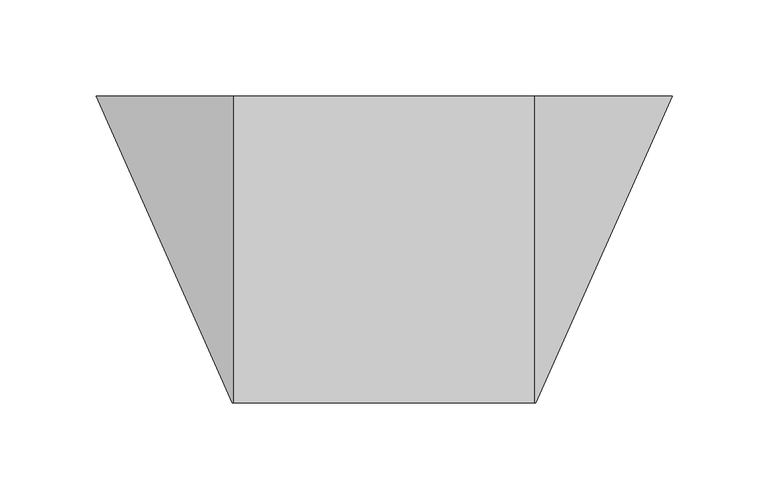
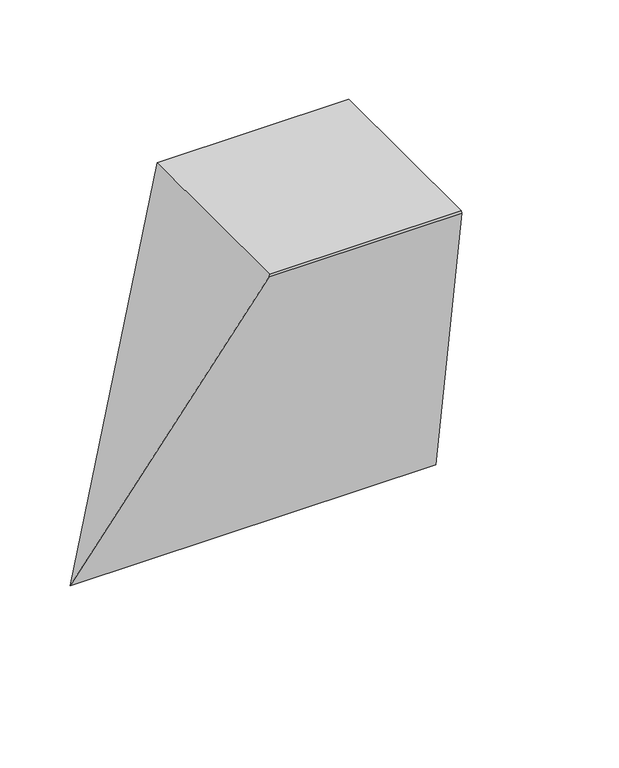
"""IFC4 building model written with IfcOpenShell, lengths in millimetres: proxy geometry."""

from ifc_helpers import new_model, si_unit, origin, place, context, project, spatial, faceted_brep, source, transform, mapped, element, save


def generic_models_9ac80bca(model_context):
    return source(origin(), model_context, "Body", "Brep", [
        faceted_brep([(71.4357143, -160.0, 342.5), (71.0185714, -160.0, 340.5), (228.9814286, -160.0, 340.5), (228.5642857, -160.0, 342.5), (71.4357143, 0.0, 342.5), (228.5642857, 0.0, 342.5), (300.0, 0.0, 0.0), (0.0, 0.0, 0.0)], [[[0, 1, 2, 3]], [[4, 5, 6, 7]], [[4, 7, 1, 0]], [[7, 6, 2, 1]], [[6, 5, 3, 2]], [[5, 4, 0, 3]]]),
    ])


if __name__ == "__main__":
    model = new_model("IFC4")
    model_context = context("Model", 3, world=origin())
    ifc_project = project(units=[si_unit("LENGTHUNIT", "METRE", prefix="MILLI")], contexts=[model_context])
    site = spatial("IfcSite", under=ifc_project)
    building = spatial("IfcBuilding", under=site)
    placement = place(None, origin())
    generic_models_shape = generic_models_9ac80bca(model_context)
    element("IfcBuildingElementProxy", 1, Name="Generic Models", at=placement, inside=building, context=model_context, shape_type="MappedRepresentation", body=[
        mapped(generic_models_shape, transform((0.0, 0.0, 0.0), x_axis=(1.0, 0.0, 0.0), y_axis=(0.0, 1.0, 0.0), z_axis=(0.0, 0.0, 1.0))),
    ])
    save(model, "model.ifc")
